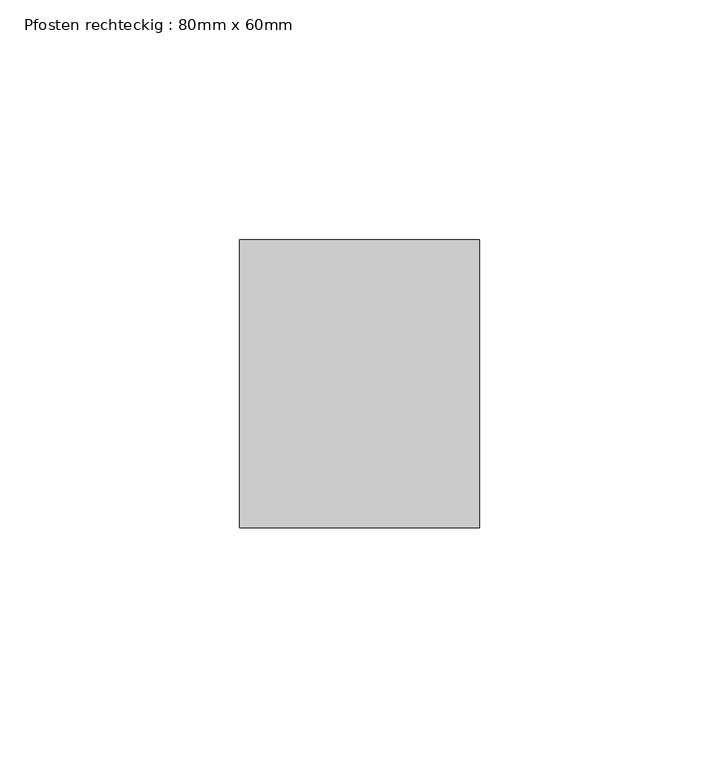
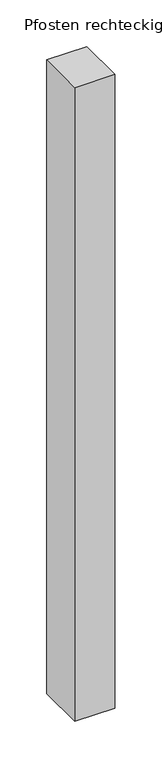
"""IFC4 building model written with IfcOpenShell, lengths in millimetres: member geometry, Pfosten rechteckig : 80mm x 60mm."""

from ifc_helpers import new_model, si_unit, frame, origin, place, context, project, spatial, polyline, outline, extrude, source, transform, mapped, element, save


def pfosten_rechteckig_80mm_x_60mm_ab8736b5(model_context):
    return source(origin(), model_context, "Body", "SweptSolid", [
        extrude(outline(polyline([(0.0, 30.0), (0.0, -30.0), (-50.0, -30.0), (-50.0, 30.0), (0.0, 30.0)])), frame((0.0, 0.0, -830.0), z_axis=(0.0, 0.0, 1.0), x_axis=(1.0, 0.0, 0.0)), (0.0, 0.0, 1.0), 830.0),
    ])


if __name__ == "__main__":
    model = new_model("IFC4")
    model_context = context("Model", 3, world=origin())
    ifc_project = project(units=[si_unit("LENGTHUNIT", "METRE", prefix="MILLI")], contexts=[model_context])
    site = spatial("IfcSite", under=ifc_project)
    building = spatial("IfcBuilding", under=site)
    placement = place(None, origin())
    pfosten_rechteckig_80mm_x_60mm_shape = pfosten_rechteckig_80mm_x_60mm_ab8736b5(model_context)
    element("IfcMember", 1, ObjectType="Pfosten rechteckig : 80mm x 60mm", at=placement, inside=building, context=model_context, shape_type="MappedRepresentation", body=[
        mapped(pfosten_rechteckig_80mm_x_60mm_shape, transform((0.0, 0.0, 0.0), x_axis=(1.0, 0.0, 0.0), y_axis=(0.0, 1.0, 0.0), z_axis=(0.0, 0.0, 1.0))),
    ])
    save(model, "model.ifc")
